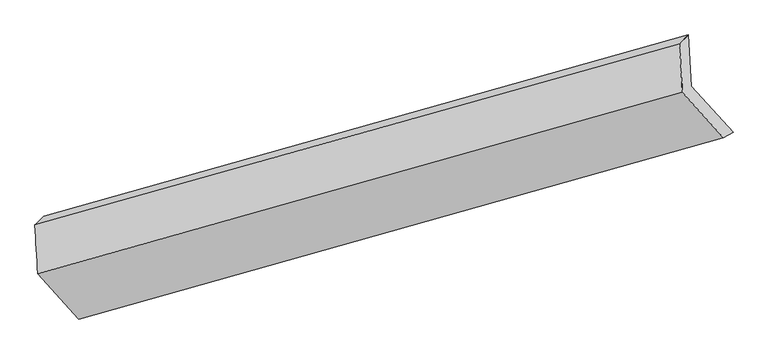
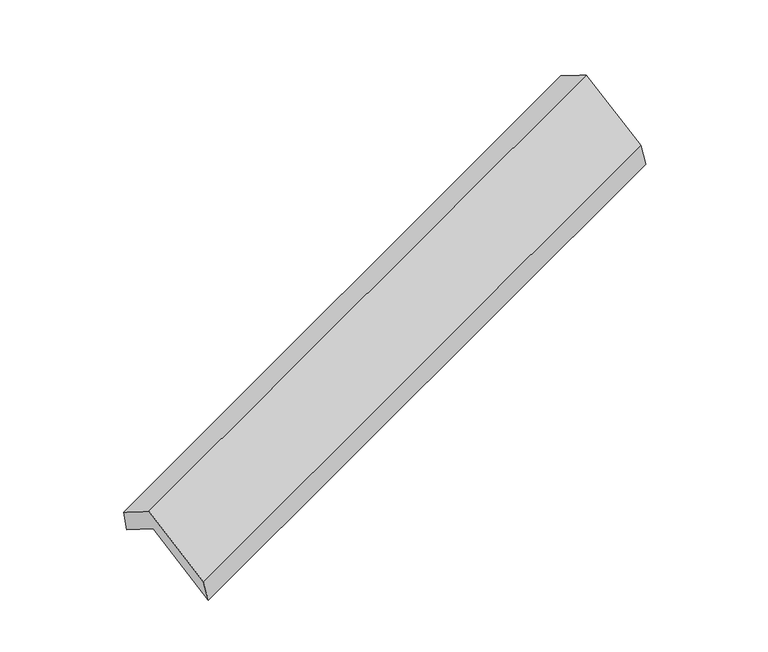
"""IFC4 building model written with IfcOpenShell, lengths in millimetres: proxy geometry."""

from ifc_helpers import new_model, si_unit, frame, origin, place, context, project, spatial, source, transform, mapped, element, save
from ifc_brep_helpers import plane_surface, spline_surface, advanced_brep


def generic_models_4c979f13(model_context):
    return source(origin(), model_context, "Body", "AdvancedBrep", [
        advanced_brep(
        [(-5078.5842804, -2103.112885, 1288.3371639), (-5098.8622984, -1758.6553377, 1079.6681494), (-774.4892399, -542.6595753, 2647.3986208), (-754.2112218, -887.1171227, 2856.0676352), (-5158.4081107, -1817.0139098, 1289.235183), (-834.2990185, -600.7098723, 2857.4588675), (-5139.3648225, -2144.673068, 1488.4078608), (-814.991764, -928.6773057, 3056.1383322), (-4864.3909891, -2448.0125086, 960.9530091), (-540.0179306, -1232.0167463, 2528.6834805), (-4799.4922724, -2410.9953206, 752.982829), (-475.1192139, -1194.9995583, 2320.7133004)],
        [
            (0, 1),
            (1, 2),
            (2, 3),
            (3, 0),
            (1, 4),
            (4, 5),
            (5, 2),
            (4, 6),
            (6, 7),
            (7, 5),
            (6, 8),
            (8, 9),
            (9, 7),
            (8, 10),
            (10, 11),
            (11, 9),
            (10, 0),
            (3, 11),
        ],
        [
            plane_surface(frame((-5088.7232894, -1930.8841113, 1184.0026566), z_axis=(0.4137289455092864, -0.4537671009003342, -0.7892552044733566), x_axis=(-0.05028733428047624, 0.8542181872084267, -0.51747702620823))),
            spline_surface(1, 1, [[(-5098.8622984, -1758.6553377, 1079.6681494), (-774.4892399, -542.6595753, 2647.3986208)], [(-5158.4081107, -1817.0139098, 1289.235183), (-834.2990185, -600.7098723, 2857.4588675)]], [2, 2], [2, 2], [0.0, 1.0], [0.0, 1.0]),
            spline_surface(1, 1, [[(-5158.4081107, -1817.0139098, 1289.235183), (-834.2990185, -600.7098723, 2857.4588675)], [(-5139.3648225, -2144.673068, 1488.4078608), (-814.991764, -928.6773057, 3056.1383322)]], [2, 2], [2, 2], [0.0, 1.0], [0.0, 1.0]),
            plane_surface(frame((-5001.8779058, -2296.3427883, 1224.680435), z_axis=(0.05219962067298531, -0.8536848967682624, 0.5181672477408791), x_axis=(0.4118174576724122, -0.4542995079913796, -0.7899483138756747))),
            plane_surface(frame((-4831.9416308, -2429.5039146, 856.9679191), z_axis=(0.29572518808283715, -0.9521491274246185, -0.07719230711611214), x_axis=(0.2936812655511742, 0.1675110874055519, -0.9411117626830887))),
            plane_surface(frame((-4939.0382764, -2257.0541028, 1020.6599964), z_axis=(-0.05219962067297815, 0.8536848967682549, -0.5181672477408926), x_axis=(-0.4118174576724297, 0.45429950799138963, 0.7899483138756599))),
            plane_surface(frame((-698.8547314, -897.6966968, 2711.0767061), z_axis=(0.9098777750704666, 0.25283046826111133, 0.3289364509319161), x_axis=(0.2936812655511742, 0.1675110874055519, -0.9411117626830887))),
            plane_surface(frame((-5023.1837956, -2113.7438383, 1143.2640325), z_axis=(-0.9098777750704659, -0.2528304682611027, -0.3289364509319247), x_axis=(0.411817457672432, -0.4542995079913794, -0.7899483138756644))),
        ],
        [
            (0, [[1, 2, 3, 4]]),
            (1, [[5, 6, 7, -2]]),
            (2, [[8, 9, 10, -6]]),
            (3, [[11, 12, 13, -9]]),
            (4, [[14, 15, 16, -12]]),
            (5, [[17, -4, 18, -15]]),
            (6, [[-16, -18, -3, -7, -10, -13]]),
            (7, [[-17, -14, -11, -8, -5, -1]]),
        ],
    ),
    ])


if __name__ == "__main__":
    model = new_model("IFC4")
    model_context = context("Model", 3, world=origin())
    ifc_project = project(units=[si_unit("LENGTHUNIT", "METRE", prefix="MILLI")], contexts=[model_context])
    site = spatial("IfcSite", under=ifc_project)
    building = spatial("IfcBuilding", under=site)
    placement = place(None, origin())
    generic_models_shape = generic_models_4c979f13(model_context)
    element("IfcBuildingElementProxy", 1, Name="Generic Models", at=placement, inside=building, context=model_context, shape_type="MappedRepresentation", body=[
        mapped(generic_models_shape, transform((0.0, 0.0, 0.0), x_axis=(1.0, 0.0, 0.0), y_axis=(0.0, 1.0, 0.0), z_axis=(0.0, 0.0, 1.0))),
    ])
    save(model, "model.ifc")
